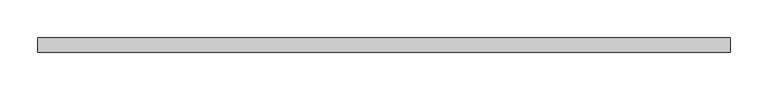
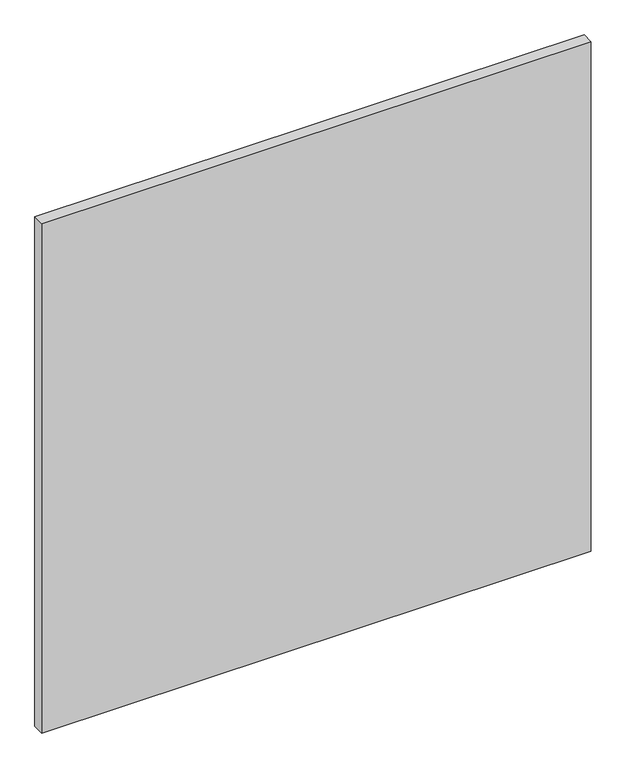
"""IFC4 building model written with IfcOpenShell, lengths in millimetres: proxy geometry."""

import ifcopenshell
import ifcopenshell.guid

model = None  # the IFC model being written
_history = None  # IfcOwnerHistory: only IFC2X3 demands one
_inside = {}  # id of a spatial element -> (the spatial element, [elements in it])
_under = {}  # id of a project, library or spatial element -> (it, [spatial elements below it])
_declared = {}  # id of a project -> (the project, [libraries it declares])
_typed = {}  # id of a type object -> (the type object, [elements of that type])
_made_of = {}  # id of a material, layer set ... -> (it, [elements and type objects made of it])


def new_model(schema):
    """Start an empty IFC model of exactly this schema.

    Asked for "IFC4X3", IfcOpenShell would pick the latest addendum, in which some entities
    have other attributes; the version numbers below select the first issue.
    IFC2X3 requires an IfcOwnerHistory on every rooted entity: one is made here for all.
    """
    global model, _history
    if schema == "IFC4X3":
        model = ifcopenshell.file(schema_version=(4, 3, 0, 0))
    else:
        model = ifcopenshell.file(schema=schema)
    _inside.clear()
    _under.clear()
    _declared.clear()
    _typed.clear()
    _made_of.clear()
    _history = None
    if model.schema == "IFC2X3":
        org = make("IfcOrganization", Name="unknown")
        user = make(
            "IfcPersonAndOrganization",
            ThePerson=make("IfcPerson", FamilyName="unknown"),
            TheOrganization=org,
        )
        app = make(
            "IfcApplication",
            ApplicationDeveloper=org,
            Version="unknown",
            ApplicationFullName="unknown",
            ApplicationIdentifier="unknown",
        )
        _history = make(
            "IfcOwnerHistory",
            OwningUser=user,
            OwningApplication=app,
            ChangeAction="ADDED",
            CreationDate=0,
        )
    return model


def make(cls, **values):
    """One entity of the class cls with the attributes given. An attribute that is None is left unset."""
    return model.create_entity(
        cls, **{name: value for name, value in values.items() if value is not None}
    )


def rooted(cls, **values):
    """An entity with a GlobalId (a new one), such as an element, a storey or a relation."""
    return make(cls, GlobalId=ifcopenshell.guid.new(), OwnerHistory=_history, **values)


def si_unit(unit_type, name, prefix=None):
    """IfcSIUnit, for example si_unit("LENGTHUNIT", "METRE", prefix="MILLI")."""
    return make("IfcSIUnit", UnitType=unit_type, Prefix=prefix, Name=name)


def assignment(units):
    """IfcUnitAssignment: the units of a project."""
    return None if units is None else make("IfcUnitAssignment", Units=units)


def point(xyz):
    """IfcCartesianPoint."""
    return None if xyz is None else make("IfcCartesianPoint", Coordinates=xyz)


def direction(xyz):
    """IfcDirection."""
    return None if xyz is None else make("IfcDirection", DirectionRatios=xyz)


def frame(location, z_axis=None, x_axis=None):
    """IfcAxis2Placement3D, a coordinate frame: its origin and axes. An axis left out is left unset."""
    return make(
        "IfcAxis2Placement3D",
        Location=point(location),
        Axis=direction(z_axis),
        RefDirection=direction(x_axis),
    )


def origin():
    """The frame at (0, 0, 0) with its axes left unset."""
    return frame((0.0, 0.0, 0.0))


def place(relative_to, where):
    """IfcLocalPlacement: puts the frame where relative to a parent placement (None: the world)."""
    return make(
        "IfcLocalPlacement", PlacementRelTo=relative_to, RelativePlacement=where
    )


def context(
    kind, dimensions, precision=None, world=None, true_north=None, identifier=None
):
    """IfcGeometricRepresentationContext, for example the 3D "Model" context."""
    return make(
        "IfcGeometricRepresentationContext",
        ContextIdentifier=identifier,
        ContextType=kind,
        CoordinateSpaceDimension=dimensions,
        Precision=precision,
        WorldCoordinateSystem=world,
        TrueNorth=true_north,
    )


def project(units=None, contexts=None):
    """IfcProject with its units and contexts."""
    return rooted(
        "IfcProject",
        Name="project",
        RepresentationContexts=contexts,
        UnitsInContext=assignment(units),
    )


def spatial(cls, under=None, at=None, **own):
    """A site, building, storey or space (cls), placed at a placement, below another one or the project."""
    s = rooted(cls, ObjectPlacement=at, **own)
    if under is not None:
        _under.setdefault(under.id(), (under, []))[1].append(s)
    return s


def polyline(points):
    """IfcPolyline through the points."""
    return make("IfcPolyline", Points=[point(p) for p in points])


def outline(outer, holes=None, kind="AREA"):
    """IfcArbitraryClosedProfileDef: a profile drawn as a closed curve; with holes, ...WithVoids."""
    if holes is None:
        return make("IfcArbitraryClosedProfileDef", ProfileType=kind, OuterCurve=outer)
    return make(
        "IfcArbitraryProfileDefWithVoids",
        ProfileType=kind,
        OuterCurve=outer,
        InnerCurves=holes,
    )


def extrude(swept, where, along, depth):
    """IfcExtrudedAreaSolid: the profile swept, set in the frame where, extruded along a direction by depth."""
    return make(
        "IfcExtrudedAreaSolid",
        SweptArea=swept,
        Position=where,
        ExtrudedDirection=direction(along),
        Depth=depth,
    )


def shape(context_of_items, identifier, shape_type, items):
    """IfcShapeRepresentation: the items that make up one representation, for example the "Body"."""
    return make(
        "IfcShapeRepresentation",
        ContextOfItems=context_of_items,
        RepresentationIdentifier=identifier,
        RepresentationType=shape_type,
        Items=items,
    )


def source(mapping_origin, context_of_items, identifier, shape_type, items):
    """IfcRepresentationMap: a shape defined once, which mapped items show again and again."""
    return make(
        "IfcRepresentationMap",
        MappingOrigin=mapping_origin,
        MappedRepresentation=shape(context_of_items, identifier, shape_type, items),
    )


def transform(
    local_origin,
    x_axis=None,
    y_axis=None,
    z_axis=None,
    scale=None,
    scale2=None,
    scale3=None,
    uniform=True,
):
    """IfcCartesianTransformationOperator3D, or its non-uniform kind. x_axis, y_axis, z_axis: its Axis1, 2, 3."""
    if uniform:
        return make(
            "IfcCartesianTransformationOperator3D",
            Axis1=direction(x_axis),
            Axis2=direction(y_axis),
            LocalOrigin=point(local_origin),
            Scale=scale,
            Axis3=direction(z_axis),
        )
    return make(
        "IfcCartesianTransformationOperator3DnonUniform",
        Axis1=direction(x_axis),
        Axis2=direction(y_axis),
        LocalOrigin=point(local_origin),
        Scale=scale,
        Axis3=direction(z_axis),
        Scale2=scale2,
        Scale3=scale3,
    )


def mapped(mapping_source, mapping_target):
    """IfcMappedItem: shows the shape of a source again, moved by a transform."""
    return make(
        "IfcMappedItem", MappingSource=mapping_source, MappingTarget=mapping_target
    )


def made_of(thing, what):
    """Note that an element or type object is made of a material, layer set ...; save() writes the relation."""
    if what is not None:
        _made_of.setdefault(what.id(), (what, []))[1].append(thing)
    return thing


def element(
    cls,
    number,
    at=None,
    inside=None,
    cuts=None,
    type_object=None,
    material=None,
    context=None,
    identifier="Body",
    shape_type=None,
    held_by="IfcProductDefinitionShape",
    body=None,
    shapes=None,
    **own,
):
    """One element of the class cls, such as IfcWall. Its Tag is "e" and its number.

    at: its placement. inside: the storey or other place that contains it. cuts: it is an
    opening in that element (IfcRelVoidsElement). A single representation is given by context,
    identifier, shape_type and body (its items); several are given by shapes. held_by: the class
    of the entity that holds the representations. save() writes the other relations.
    """
    e = rooted(cls, Tag="e%d" % number, ObjectPlacement=at, **own)
    if body is not None:
        shapes = [shape(context, identifier, shape_type, body)]
    if shapes is not None:
        e.Representation = make(held_by, Representations=shapes)
    if inside is not None:
        _inside.setdefault(inside.id(), (inside, []))[1].append(e)
    if cuts is not None:
        rooted(
            "IfcRelVoidsElement", RelatingBuildingElement=cuts, RelatedOpeningElement=e
        )
    if type_object is not None:
        _typed.setdefault(type_object.id(), (type_object, []))[1].append(e)
    return made_of(e, material)


def aggregate(whole, parts):
    """IfcRelAggregates: a whole, such as a stair, and the parts it consists of."""
    return rooted("IfcRelAggregates", RelatingObject=whole, RelatedObjects=parts)


def save(model, path):
    """Write the relations noted so far, then the file.

    IfcRelAggregates (storeys below a building ...), IfcRelContainedInSpatialStructure (elements
    in a storey), IfcRelDefinesByType, IfcRelAssociatesMaterial and IfcRelDeclares: one each for
    every whole, place, type object, material and project.
    """
    for whole, parts in _under.values():
        aggregate(whole, parts)
    for where, things in _inside.values():
        rooted(
            "IfcRelContainedInSpatialStructure",
            RelatedElements=things,
            RelatingStructure=where,
        )
    for kind, things in _typed.values():
        rooted("IfcRelDefinesByType", RelatedObjects=things, RelatingType=kind)
    for what, things in _made_of.values():
        rooted("IfcRelAssociatesMaterial", RelatedObjects=things, RelatingMaterial=what)
    for by, libraries in _declared.values():
        rooted("IfcRelDeclares", RelatingContext=by, RelatedDefinitions=libraries)
    model.write(path)


def specialty_equipment_c3ef95e2(model_context):
    return source(origin(), model_context, "Body", "SweptSolid", [
        extrude(outline(polyline([(455.3204, 0.0), (-455.3204, 0.0), (-455.3204, 19.05), (455.3204, 19.05), (455.3204, 0.0)])), frame((0.0, 0.0, 3.175), z_axis=(0.0, 0.0, 1.0), x_axis=(1.0, 0.0, 0.0)), (0.0, 0.0, 1.0), 892.175),
    ])


if __name__ == "__main__":
    model = new_model("IFC4")
    model_context = context("Model", 3, world=origin())
    ifc_project = project(units=[si_unit("LENGTHUNIT", "METRE", prefix="MILLI")], contexts=[model_context])
    site = spatial("IfcSite", under=ifc_project)
    building = spatial("IfcBuilding", under=site)
    placement = place(None, origin())
    specialty_equipment_shape = specialty_equipment_c3ef95e2(model_context)
    element("IfcBuildingElementProxy", 1, Name="Specialty Equipment", at=placement, inside=building, context=model_context, shape_type="MappedRepresentation", body=[
        mapped(specialty_equipment_shape, transform((0.0, 0.0, 0.0), x_axis=(1.0, 0.0, 0.0), y_axis=(0.0, 1.0, 0.0), z_axis=(0.0, 0.0, 1.0))),
    ])
    save(model, "model.ifc")
